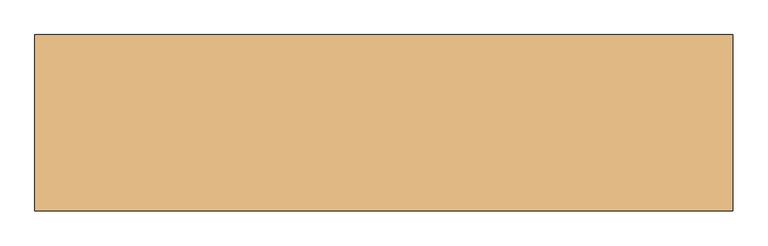
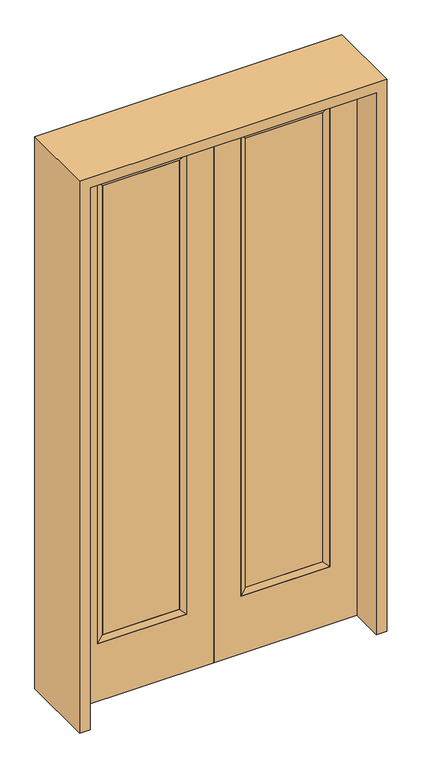
"""IFC4 building model written with IfcOpenShell, lengths in millimetres: door geometry."""

from ifc_helpers import new_model, si_unit, frame, origin, place, context, project, spatial, polyline, outline, extrude, faceted_brep, source, transform, mapped, element, save


def door_623a40af(model_context):
    return source(origin(), model_context, "Body", "SolidModel", [
        extrude(outline(polyline([(140.8176, -12.7039749), (140.8176, 14.2875), (468.7824, 14.2875), (468.7824, -12.7039749), (140.8176, -12.7039749)])), frame((0.0, 0.0, 285.75), z_axis=(0.0, 0.0, 1.0), x_axis=(1.0, 0.0, 0.0)), (0.0, 0.0, 1.0), 2019.3),
        faceted_brep([(140.8176, 14.2875, 2305.05), (140.8176, 14.2875, 285.75), (115.4176, 22.225, 260.35), (115.4176, 22.225, 2330.45), (115.4176, -22.225, 260.35), (115.4176, -22.225, 2330.45), (468.7824, 14.2875, 285.75), (494.1824, 22.225, 260.35), (140.8176, -12.7039749, 2305.05), (140.8176, -12.7039749, 285.75), (468.7824, -12.7039749, 285.75), (494.1824, -22.225, 260.35), (468.7824, 14.2875, 2305.05), (494.1824, 22.225, 2330.45), (468.7824, -12.7039749, 2305.05), (494.1824, -22.225, 2330.45)], [[[0, 1, 2, 3]], [[3, 2, 4, 5]], [[1, 6, 7, 2]], [[8, 9, 1, 0]], [[9, 10, 6, 1]], [[5, 4, 9, 8]], [[4, 11, 10, 9]], [[2, 7, 11, 4]], [[6, 12, 13, 7]], [[10, 14, 12, 6]], [[11, 15, 14, 10]], [[7, 13, 15, 11]], [[12, 0, 3, 13]], [[14, 8, 0, 12]], [[15, 5, 8, 14]], [[13, 3, 5, 15]]]),
        extrude(outline(polyline([(0.0, 609.6), (2438.4, 609.6), (2438.4, 0.0), (0.0, 0.0), (0.0, 609.6)]), holes=[polyline([(260.35, 494.1824), (260.35, 115.4176), (2330.45, 115.4176), (2330.45, 494.1824), (260.35, 494.1824)])]), frame((0.0, -22.225, 0.0), z_axis=(0.0, 1.0, 0.0), x_axis=(0.0, 0.0, 1.0)), (0.0, 0.0, 1.0), 44.45),
        extrude(outline(polyline([(-140.8176, -12.7039749), (-468.7824, -12.7039749), (-468.7824, 14.2875), (-140.8176, 14.2875), (-140.8176, -12.7039749)])), frame((0.0, 0.0, 285.75), z_axis=(0.0, 0.0, 1.0), x_axis=(1.0, 0.0, 0.0)), (0.0, 0.0, 1.0), 2019.3),
        faceted_brep([(-140.8176, 14.2875, 2305.05), (-115.4176, 22.225, 2330.45), (-115.4176, 22.225, 260.35), (-140.8176, 14.2875, 285.75), (-115.4176, -22.225, 2330.45), (-115.4176, -22.225, 260.35), (-494.1824, 22.225, 260.35), (-468.7824, 14.2875, 285.75), (-140.8176, -12.7039749, 2305.05), (-140.8176, -12.7039749, 285.75), (-468.7824, -12.7039749, 285.75), (-494.1824, -22.225, 260.35), (-494.1824, 22.225, 2330.45), (-468.7824, 14.2875, 2305.05), (-468.7824, -12.7039749, 2305.05), (-494.1824, -22.225, 2330.45)], [[[0, 1, 2, 3]], [[1, 4, 5, 2]], [[3, 2, 6, 7]], [[8, 0, 3, 9]], [[9, 3, 7, 10]], [[4, 8, 9, 5]], [[5, 9, 10, 11]], [[2, 5, 11, 6]], [[7, 6, 12, 13]], [[10, 7, 13, 14]], [[11, 10, 14, 15]], [[6, 11, 15, 12]], [[13, 12, 1, 0]], [[14, 13, 0, 8]], [[15, 14, 8, 4]], [[12, 15, 4, 1]]]),
        extrude(outline(polyline([(0.0, -609.6), (0.0, 0.0), (2438.4, 0.0), (2438.4, -609.6), (0.0, -609.6)]), holes=[polyline([(260.35, -494.1824), (2330.45, -494.1824), (2330.45, -115.4176), (260.35, -115.4176), (260.35, -494.1824)])]), frame((0.0, -22.225, 0.0), z_axis=(0.0, 1.0, 0.0), x_axis=(0.0, 0.0, 1.0)), (0.0, 0.0, 1.0), 44.45),
        extrude(outline(polyline([(2482.85, -654.05), (0.0, -654.05), (0.0, -609.6), (2438.4, -609.6), (2438.4, 609.6), (0.0, 609.6), (0.0, 654.05), (2482.85, 654.05), (2482.85, -654.05)])), frame((0.0, -165.1, 0.0), z_axis=(0.0, 1.0, 0.0), x_axis=(0.0, 0.0, 1.0)), (0.0, 0.0, 1.0), 330.2),
    ])


if __name__ == "__main__":
    model = new_model("IFC4")
    model_context = context("Model", 3, world=origin())
    ifc_project = project(units=[si_unit("LENGTHUNIT", "METRE", prefix="MILLI")], contexts=[model_context])
    site = spatial("IfcSite", under=ifc_project)
    building = spatial("IfcBuilding", under=site)
    placement = place(None, origin())
    door_shape = door_623a40af(model_context)
    element("IfcDoor", 1, at=placement, inside=building, context=model_context, shape_type="MappedRepresentation", body=[
        mapped(door_shape, transform((0.0, 0.0, 0.0), x_axis=(1.0, 0.0, 0.0), y_axis=(0.0, 1.0, 0.0), z_axis=(0.0, 0.0, 1.0))),
    ])
    save(model, "model.ifc")
